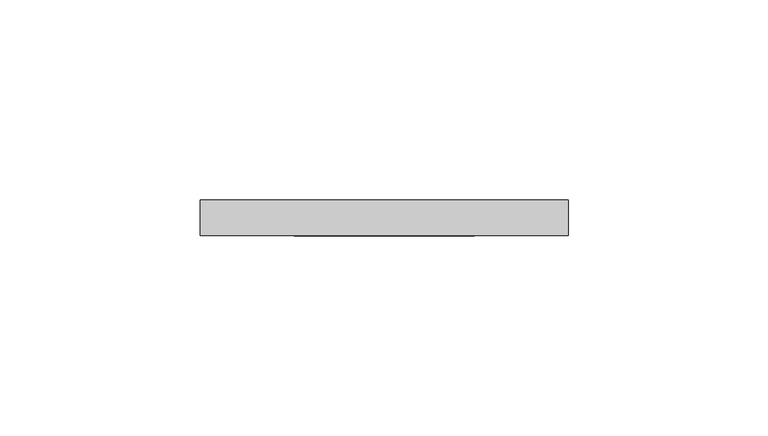
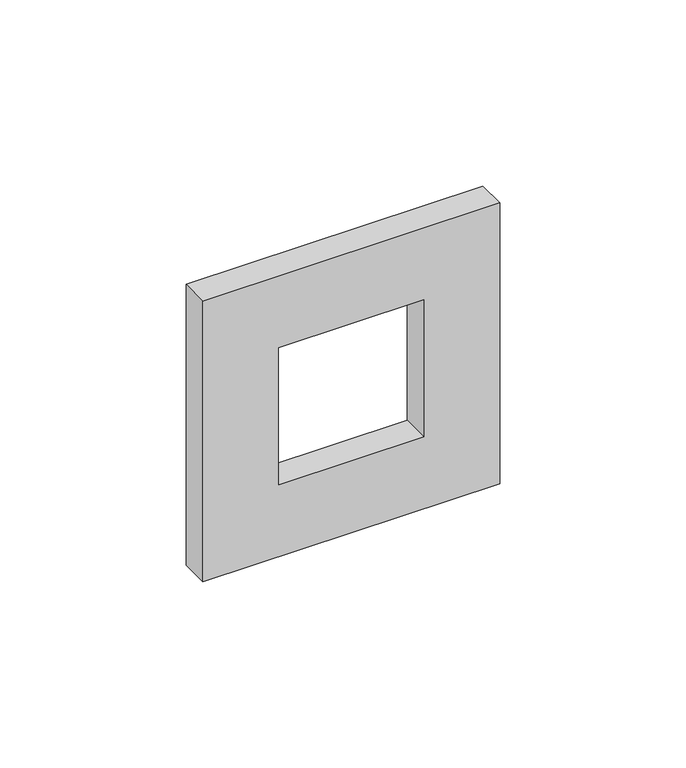
"""IFC4 building model written with IfcOpenShell, lengths in millimetres: proxy geometry."""

from ifc_helpers import new_model, si_unit, frame, origin, place, context, project, spatial, polyline, outline, extrude, source, transform, mapped, element, save


def electrical_fixtures_40e06e7e(model_context):
    return source(origin(), model_context, "Body", "SweptSolid", [
        extrude(outline(polyline([(46.0, 46.0), (46.0, -46.0), (-46.0, -46.0), (-46.0, 46.0), (46.0, 46.0)]), holes=[polyline([(22.5, 22.5), (-22.5, 22.5), (-22.5, -22.5), (22.5, -22.5), (22.5, 22.5)])]), frame((0.0, 0.0, 0.0), z_axis=(0.0, 1.0, 0.0), x_axis=(0.0, 0.0, 1.0)), (0.0, 0.0, 1.0), 9.0),
    ])


if __name__ == "__main__":
    model = new_model("IFC4")
    model_context = context("Model", 3, world=origin())
    ifc_project = project(units=[si_unit("LENGTHUNIT", "METRE", prefix="MILLI")], contexts=[model_context])
    site = spatial("IfcSite", under=ifc_project)
    building = spatial("IfcBuilding", under=site)
    placement = place(None, origin())
    electrical_fixtures_shape = electrical_fixtures_40e06e7e(model_context)
    element("IfcBuildingElementProxy", 1, Name="Electrical Fixtures", at=placement, inside=building, context=model_context, shape_type="MappedRepresentation", body=[
        mapped(electrical_fixtures_shape, transform((0.0, 0.0, 0.0), x_axis=(1.0, 0.0, 0.0), y_axis=(0.0, 1.0, 0.0), z_axis=(0.0, 0.0, 1.0))),
    ])
    save(model, "model.ifc")
